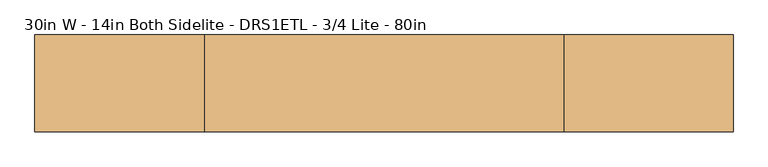
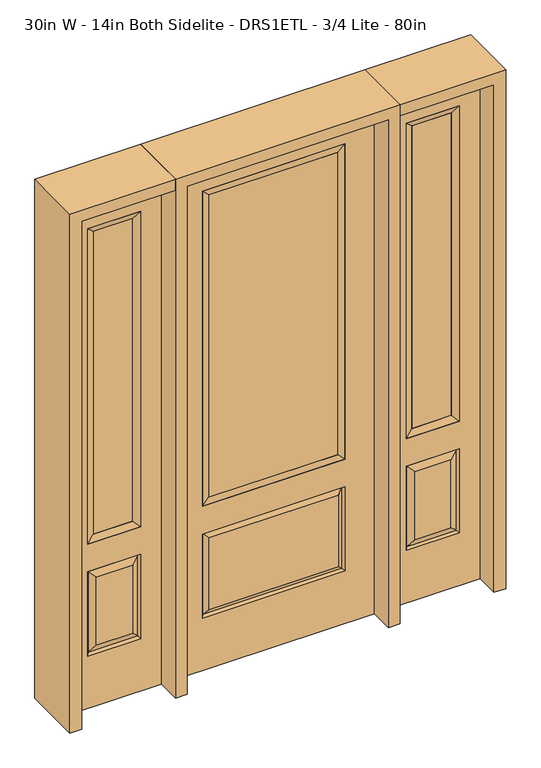
"""IFC4 building model written with IfcOpenShell, lengths in millimetres: door geometry, 30in W - 14in Both Sidelite - DRS1ETL - 3/4 Lite - 80in."""

from ifc_helpers import new_model, si_unit, frame, origin, place, context, project, spatial, polyline, outline, extrude, faceted_brep, source, transform, mapped, element, save


def door_30in_w_14in_both_sidelite_drs1etl_3_4_lite_80in_07d39ec7(model_context):
    return source(origin(), model_context, "Body", "SolidModel", [
        faceted_brep([(425.45, -22.225, 0.0), (781.05, -22.225, 0.0), (781.05, -22.225, 2032.0), (425.45, -22.225, 2032.0), (703.58, -22.225, 1919.224), (703.58, -22.225, 657.098), (502.92, -22.225, 657.098), (502.92, -22.225, 1919.224), (703.58, -22.225, 209.55), (502.92, -22.225, 209.55), (502.92, -22.225, 546.1), (703.58, -22.225, 546.1), (534.6351001, -22.225, 241.2651001), (671.8648999, -22.225, 241.2651001), (671.8648999, -22.225, 514.3848999), (534.6351001, -22.225, 514.3848999), (425.45, 22.225, 0.0), (425.45, 22.225, 2032.0), (781.05, 22.225, 2032.0), (781.05, 22.225, 0.0), (703.58, 22.225, 1919.224), (502.92, 22.225, 1919.224), (502.92, 22.225, 657.098), (703.58, 22.225, 657.098), (502.92, 22.225, 209.55), (703.58, 22.225, 209.55), (703.58, 22.225, 546.1), (502.92, 22.225, 546.1), (671.8648999, 22.225, 241.2651001), (534.6351001, 22.225, 241.2651001), (534.6351001, 22.225, 514.3848999), (671.8648999, 22.225, 514.3848999), (696.4711499, 12.7912373, 216.6588501), (510.0288501, 12.7912373, 216.6588501), (510.0288501, 12.7912373, 538.9911499), (696.4711499, 12.7912373, 538.9911499), (510.0288501, -12.7912373, 216.6588501), (696.4711499, -12.7912373, 216.6588501), (510.0288501, -12.7912373, 538.9911499), (696.4711499, -12.7912373, 538.9911499)], [[[0, 1, 2, 3], [4, 5, 6, 7], [8, 9, 10, 11]], [[12, 13, 14, 15]], [[16, 17, 18, 19], [20, 21, 22, 23], [24, 25, 26, 27]], [[28, 29, 30, 31]], [[1, 0, 16, 19]], [[2, 1, 19, 18]], [[3, 2, 18, 17]], [[0, 3, 17, 16]], [[5, 4, 20, 23]], [[6, 5, 23, 22]], [[7, 6, 22, 21]], [[4, 7, 21, 20]], [[32, 33, 29, 28]], [[33, 32, 25, 24]], [[29, 33, 34, 30]], [[33, 24, 27, 34]], [[30, 34, 35, 31]], [[34, 27, 26, 35]], [[32, 28, 31, 35]], [[25, 32, 35, 26]], [[12, 36, 37, 13]], [[37, 36, 9, 8]], [[36, 12, 15, 38]], [[9, 36, 38, 10]], [[38, 15, 14, 39]], [[10, 38, 39, 11]], [[13, 37, 39, 14]], [[37, 8, 11, 39]]]),
        faceted_brep([(502.92, 22.225, 1919.224), (502.92, -22.225, 1919.224), (703.58, -22.225, 1919.224), (703.58, 22.225, 1919.224), (528.32, 12.7, 1893.824), (678.18, 12.7, 1893.824), (528.32, -12.7, 1893.824), (678.18, -12.7, 1893.824), (703.58, -22.225, 657.098), (703.58, 22.225, 657.098), (678.18, 12.7, 682.498), (678.18, -12.7, 682.498), (502.92, -22.225, 657.098), (502.92, 22.225, 657.098), (528.32, 12.7, 682.498), (528.32, -12.7, 682.498)], [[[0, 1, 2, 3]], [[4, 0, 3, 5]], [[6, 4, 5, 7]], [[1, 6, 7, 2]], [[3, 2, 8, 9]], [[5, 3, 9, 10]], [[7, 5, 10, 11]], [[2, 7, 11, 8]], [[9, 8, 12, 13]], [[10, 9, 13, 14]], [[11, 10, 14, 15]], [[8, 11, 15, 12]], [[13, 12, 1, 0]], [[14, 13, 0, 4]], [[15, 14, 4, 6]], [[12, 15, 6, 1]]]),
        extrude(outline(polyline([(678.18, -12.7), (528.32, -12.7), (528.32, 12.7), (678.18, 12.7), (678.18, -12.7)])), frame((0.0, 0.0, 682.498), z_axis=(0.0, 0.0, 1.0), x_axis=(1.0, 0.0, 0.0)), (0.0, 0.0, 1.0), 1211.326),
        faceted_brep([(-781.05, -22.225, 0.0), (-425.45, -22.225, 0.0), (-425.45, -22.225, 2032.0), (-781.05, -22.225, 2032.0), (-502.92, -22.225, 1919.224), (-502.92, -22.225, 657.098), (-703.58, -22.225, 657.098), (-703.58, -22.225, 1919.224), (-502.92, -22.225, 209.55), (-703.58, -22.225, 209.55), (-703.58, -22.225, 546.1), (-502.92, -22.225, 546.1), (-671.8648999, -22.225, 241.2651001), (-534.6351001, -22.225, 241.2651001), (-534.6351001, -22.225, 514.3848999), (-671.8648999, -22.225, 514.3848999), (-781.05, 22.225, 0.0), (-781.05, 22.225, 2032.0), (-425.45, 22.225, 2032.0), (-425.45, 22.225, 0.0), (-502.92, 22.225, 1919.224), (-703.58, 22.225, 1919.224), (-703.58, 22.225, 657.098), (-502.92, 22.225, 657.098), (-703.58, 22.225, 209.55), (-502.92, 22.225, 209.55), (-502.92, 22.225, 546.1), (-703.58, 22.225, 546.1), (-534.6351001, 22.225, 241.2651001), (-671.8648999, 22.225, 241.2651001), (-671.8648999, 22.225, 514.3848999), (-534.6351001, 22.225, 514.3848999), (-510.0288501, 12.7912373, 216.6588501), (-696.4711499, 12.7912373, 216.6588501), (-696.4711499, 12.7912373, 538.9911499), (-510.0288501, 12.7912373, 538.9911499), (-696.4711499, -12.7912373, 216.6588501), (-510.0288501, -12.7912373, 216.6588501), (-696.4711499, -12.7912373, 538.9911499), (-510.0288501, -12.7912373, 538.9911499)], [[[0, 1, 2, 3], [4, 5, 6, 7], [8, 9, 10, 11]], [[12, 13, 14, 15]], [[16, 17, 18, 19], [20, 21, 22, 23], [24, 25, 26, 27]], [[28, 29, 30, 31]], [[1, 0, 16, 19]], [[2, 1, 19, 18]], [[3, 2, 18, 17]], [[0, 3, 17, 16]], [[5, 4, 20, 23]], [[6, 5, 23, 22]], [[7, 6, 22, 21]], [[4, 7, 21, 20]], [[32, 33, 29, 28]], [[33, 32, 25, 24]], [[29, 33, 34, 30]], [[33, 24, 27, 34]], [[30, 34, 35, 31]], [[34, 27, 26, 35]], [[32, 28, 31, 35]], [[25, 32, 35, 26]], [[12, 36, 37, 13]], [[37, 36, 9, 8]], [[36, 12, 15, 38]], [[9, 36, 38, 10]], [[38, 15, 14, 39]], [[10, 38, 39, 11]], [[13, 37, 39, 14]], [[37, 8, 11, 39]]]),
        faceted_brep([(-703.58, 22.225, 1919.224), (-703.58, -22.225, 1919.224), (-502.92, -22.225, 1919.224), (-502.92, 22.225, 1919.224), (-678.18, 12.7, 1893.824), (-528.32, 12.7, 1893.824), (-678.18, -12.7, 1893.824), (-528.32, -12.7, 1893.824), (-502.92, -22.225, 657.098), (-502.92, 22.225, 657.098), (-528.32, 12.7, 682.498), (-528.32, -12.7, 682.498), (-703.58, -22.225, 657.098), (-703.58, 22.225, 657.098), (-678.18, 12.7, 682.498), (-678.18, -12.7, 682.498)], [[[0, 1, 2, 3]], [[4, 0, 3, 5]], [[6, 4, 5, 7]], [[1, 6, 7, 2]], [[3, 2, 8, 9]], [[5, 3, 9, 10]], [[7, 5, 10, 11]], [[2, 7, 11, 8]], [[9, 8, 12, 13]], [[10, 9, 13, 14]], [[11, 10, 14, 15]], [[8, 11, 15, 12]], [[13, 12, 1, 0]], [[14, 13, 0, 4]], [[15, 14, 4, 6]], [[12, 15, 6, 1]]]),
        extrude(outline(polyline([(-528.32, -12.7), (-678.18, -12.7), (-678.18, 12.7), (-528.32, 12.7), (-528.32, -12.7)])), frame((0.0, 0.0, 682.498), z_axis=(0.0, 0.0, 1.0), x_axis=(1.0, 0.0, 0.0)), (0.0, 0.0, 1.0), 1211.326),
        faceted_brep([(-262.7661499, -12.7912373, 216.6588501), (262.7661499, -12.7912373, 216.6588501), (245.26875, -22.225, 234.15625), (-245.26875, -22.225, 234.15625), (-269.875, -22.225, 209.55), (269.875, -22.225, 209.55), (-262.7661499, -12.7912373, 538.9911499), (-269.875, -22.225, 546.1), (245.26875, -22.225, 521.49375), (-245.26875, -22.225, 521.49375), (381.0, -22.225, 2032.0), (-381.0, -22.225, 2032.0), (-381.0, -22.225, 0.0), (381.0, -22.225, 0.0), (269.875, -22.225, 546.1), (269.875, -22.225, 1917.7), (269.875, -22.225, 657.098), (-269.875, -22.225, 657.098), (-269.875, -22.225, 1917.7), (262.7661499, -12.7912373, 538.9911499), (-381.0, 22.225, 2032.0), (-381.0, 22.225, 0.0), (381.0, 22.225, 0.0), (381.0, 22.225, 2032.0), (269.875, 22.225, 1917.7), (269.875, 22.225, 657.098), (-269.875, 22.225, 657.098), (-269.875, 22.225, 1917.7), (-269.875, 22.225, 209.55), (269.875, 22.225, 209.55), (269.875, 22.225, 546.1), (-269.875, 22.225, 546.1), (245.26875, 22.225, 234.15625), (-245.26875, 22.225, 234.15625), (-245.26875, 22.225, 521.49375), (245.26875, 22.225, 521.49375), (-262.7661499, 12.7912373, 216.6588501), (262.7661499, 12.7912373, 216.6588501), (262.7661499, 12.7912373, 538.9911499), (-262.7661499, 12.7912373, 538.9911499)], [[[0, 1, 2, 3]], [[1, 0, 4, 5]], [[4, 0, 6, 7]], [[3, 2, 8, 9]], [[10, 11, 12, 13], [5, 4, 7, 14], [15, 16, 17, 18]], [[1, 5, 14, 19]], [[2, 1, 19, 8]], [[0, 3, 9, 6]], [[7, 6, 19, 14]], [[6, 9, 8, 19]], [[12, 11, 20, 21]], [[13, 12, 21, 22]], [[10, 13, 22, 23]], [[16, 15, 24, 25]], [[17, 16, 25, 26]], [[18, 17, 26, 27]], [[23, 22, 21, 20], [28, 29, 30, 31], [24, 27, 26, 25]], [[32, 33, 34, 35]], [[28, 36, 37, 29]], [[29, 37, 38, 30]], [[39, 31, 30, 38]], [[36, 28, 31, 39]], [[37, 36, 33, 32]], [[33, 36, 39, 34]], [[34, 39, 38, 35]], [[37, 32, 35, 38]], [[11, 10, 23, 20]], [[15, 18, 27, 24]]]),
        faceted_brep([(-269.875, -22.225, 1917.7), (-269.875, 22.225, 1917.7), (-269.875, 22.225, 657.098), (-269.875, -22.225, 657.098), (269.875, 22.225, 657.098), (269.875, -22.225, 657.098), (-244.475, 5.08, 682.498), (244.475, 5.08, 682.498), (269.875, 22.225, 1917.7), (269.875, -22.225, 1917.7), (-244.475, -20.32, 682.498), (244.475, -20.32, 682.498), (-244.475, -20.32, 1892.3), (244.475, -20.32, 1892.3), (-244.475, 5.08, 1892.3), (244.475, 5.08, 1892.3)], [[[0, 1, 2, 3]], [[3, 2, 4, 5]], [[2, 6, 7, 4]], [[5, 4, 8, 9]], [[10, 3, 5, 11]], [[12, 0, 3, 10]], [[11, 5, 9, 13]], [[6, 10, 11, 7]], [[14, 12, 10, 6]], [[7, 11, 13, 15]], [[1, 14, 6, 2]], [[4, 7, 15, 8]], [[9, 8, 1, 0]], [[13, 9, 0, 12]], [[15, 13, 12, 14]], [[8, 15, 14, 1]]]),
        extrude(outline(polyline([(244.475, -20.32), (-244.475, -20.32), (-244.475, 5.08), (244.475, 5.08), (244.475, -20.32)])), frame((0.0, 0.0, 682.498), z_axis=(0.0, 0.0, 1.0), x_axis=(1.0, 0.0, 0.0)), (0.0, 0.0, 1.0), 1209.802),
        extrude(outline(polyline([(2032.0, -425.45), (2076.45, -425.45), (2076.45, -825.5), (0.0, -825.5), (0.0, -781.05), (2032.0, -781.05), (2032.0, -425.45)])), frame((0.0, -114.3, 0.0), z_axis=(0.0, 1.0, 0.0), x_axis=(0.0, 0.0, 1.0)), (0.0, 0.0, 1.0), 228.6),
        extrude(outline(polyline([(2076.45, -425.45), (0.0, -425.45), (0.0, -381.0), (2032.0, -381.0), (2032.0, 381.0), (0.0, 381.0), (0.0, 425.45), (2076.45, 425.45), (2076.45, -425.45)])), frame((0.0, -114.3, 0.0), z_axis=(0.0, 1.0, 0.0), x_axis=(0.0, 0.0, 1.0)), (0.0, 0.0, 1.0), 228.6),
        extrude(outline(polyline([(0.0, 781.05), (0.0, 825.5), (2076.45, 825.5), (2076.45, 425.45), (2032.0, 425.45), (2032.0, 781.05), (0.0, 781.05)])), frame((0.0, -114.3, 0.0), z_axis=(0.0, 1.0, 0.0), x_axis=(0.0, 0.0, 1.0)), (0.0, 0.0, 1.0), 228.6),
    ])


if __name__ == "__main__":
    model = new_model("IFC4")
    model_context = context("Model", 3, world=origin())
    ifc_project = project(units=[si_unit("LENGTHUNIT", "METRE", prefix="MILLI")], contexts=[model_context])
    site = spatial("IfcSite", under=ifc_project)
    building = spatial("IfcBuilding", under=site)
    placement = place(None, origin())
    door_30in_w_14in_both_sidelite_drs1etl_3_4_lite_80in_shape = door_30in_w_14in_both_sidelite_drs1etl_3_4_lite_80in_07d39ec7(model_context)
    element("IfcDoor", 1, ObjectType="30in W - 14in Both Sidelite - DRS1ETL - 3/4 Lite - 80in", at=placement, inside=building, context=model_context, shape_type="MappedRepresentation", body=[
        mapped(door_30in_w_14in_both_sidelite_drs1etl_3_4_lite_80in_shape, transform((0.0, 0.0, 0.0), x_axis=(1.0, 0.0, 0.0), y_axis=(0.0, 1.0, 0.0), z_axis=(0.0, 0.0, 1.0))),
    ])
    save(model, "model.ifc")
